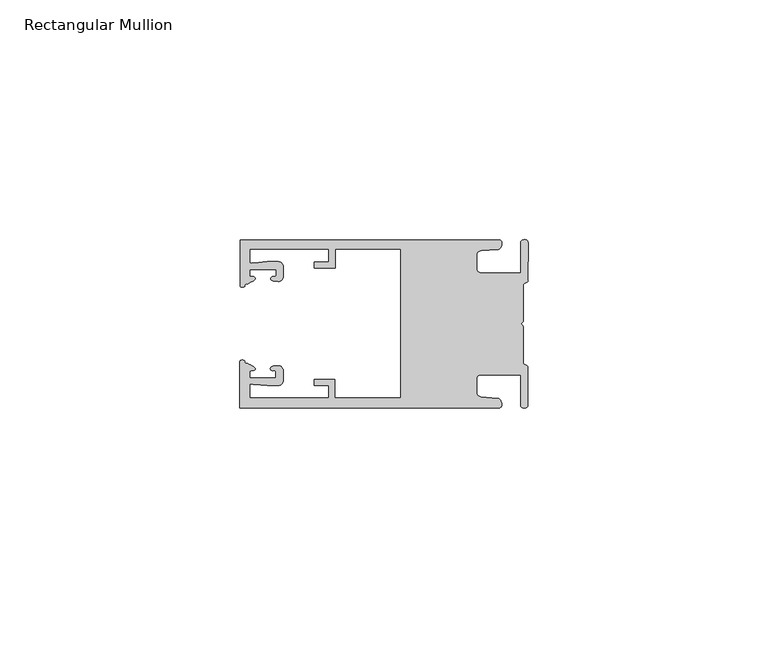
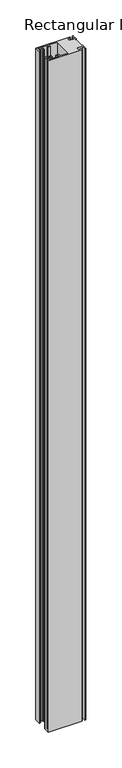
"""IFC4 building model written with IfcOpenShell, lengths in millimetres: member geometry, Rectangular Mullion."""

from ifc_helpers import new_model, si_unit, frame, origin, place, context, project, spatial, circle_curve, source, transform, mapped, element, save
from ifc_brep_helpers import plane_surface, cylinder_surface, extruded_surface, spline_curve, advanced_brep


def rectangular_mullion_de33078d(model_context):
    return source(origin(), model_context, "Body", "AdvancedBrep", [
        advanced_brep(
        [(-60.0749377, 17.5111528, 0.0), (-60.0749377, 8.0140787, 0.0), (-59.3252567, 7.7187455, 0.0), (-58.4967974, 8.36785, 0.0), (-58.0726619, 10.1173923, 0.0), (-58.0713101, 11.3673916, 0.0), (-52.5713133, 11.3614437, 0.0), (-52.5726651, 10.1114444, 0.0), (-53.1427626, 8.8955539, 0.0), (-52.0740172, 8.8609044, 0.0), (-51.0729364, 9.8598224, 0.0), (-51.0706653, 11.9598211, 0.0), (-52.0700692, 12.9609024, 0.0), (-54.3905105, 12.9622843, 0.0), (-57.1599646, 12.7230061, 0.0), (-58.0696339, 12.9173907, 0.0), (-58.066768, 15.5673891, 0.0), (-41.5667584, 15.5673891, 0.0), (-41.5695894, 12.9495468, 0.0), (-44.5695877, 12.9527912, 0.0), (-44.5709936, 11.6527919, 0.0), (-40.2709961, 11.6481417, 0.0), (-40.2667576, 15.5673891, 0.0), (-26.6002952, 15.5673891, 0.0), (-26.6002952, -15.4518424, 0.0), (-40.3003032, -15.4518424, 0.0), (-40.2960856, -11.5518447, 0.0), (-44.5960831, -11.5471945, 0.0), (-44.597489, -12.8471938, 0.0), (-41.5974907, -12.8504381, 0.0), (-41.6003025, -15.4504366, 0.0), (-58.1002928, -15.4325927, 0.0), (-58.097427, -12.7825943, 0.0), (-57.1873395, -12.5901776, 0.0), (-54.4184094, -12.8354453, 0.0), (-52.0979705, -12.8390822, 0.0), (-51.0964037, -11.8401649, 0.0), (-51.0941327, -9.7401662, 0.0), (-52.0930507, -8.7390853, 0.0), (-53.1618685, -8.7714231, 0.0), (-52.5944022, -9.9885439, 0.0), (-52.595754, -11.2385431, 0.0), (-58.0957508, -11.2325952, 0.0), (-58.094399, -9.9825959, 0.0), (-58.5147494, -8.2321403, 0.0), (-59.3418028, -7.5812455, 0.0), (-60.0921208, -7.8749565, 0.0), (-60.0921208, -17.4888267, 0.0), (-6.1024861, -17.4888267, 0.0), (-6.5218639, -15.488372, 0.0), (-9.8784944, -15.2205466, 0.0), (-10.7989567, -14.2226333, 0.0), (-10.7961029, -11.5837474, 0.0), (-9.8734844, -10.5878272, 0.0), (-1.5950266, -10.5934991, 0.0), (-1.601948, -16.9936935, 0.0), (-0.1017194, -16.7830581, 0.0), (-0.0933208, -9.0170082, 0.0), (-1.0923837, -8.1499018, 0.0), (-1.0842165, -0.5977972, 0.0), (-1.0829111, 0.6093089, 0.0), (-1.0747439, 8.1614135, 0.0), (-0.0738079, 9.026357, 0.0), (-0.0654093, 16.7924069, 0.0), (-1.5651789, 17.0062866, 0.0), (-1.5651789, 10.6183257, 0.0), (-9.8505511, 10.6183257, 0.0), (-10.7710133, 11.6162391, 0.0), (-10.7681595, 14.255125, 0.0), (-9.845541, 15.2510452, 0.0), (-6.4883391, 15.5116099, 0.0), (-6.0646356, 17.5111528, 0.0), (-60.0749377, 17.5111528, -1143.0000002), (-6.0646356, 17.5111528, -1143.0000002), (-6.4883391, 15.5116099, -1143.0000002), (-9.845541, 15.2510452, -1143.0000002), (-10.7681595, 14.255125, -1143.0000002), (-10.7710133, 11.6162391, -1143.0000002), (-9.8505511, 10.6183257, -1143.0000002), (-1.5651789, 10.6183257, -1143.0000002), (-1.5651789, 17.0062866, -1143.0000002), (-0.0654093, 16.7924069, -1143.0000002), (-0.0738079, 9.026357, -1143.0000002), (-1.0747439, 8.1614135, -1143.0000002), (-1.0829111, 0.6093089, -1143.0000002), (-1.0842165, -0.5977972, -1143.0000002), (-1.0923837, -8.1499018, -1143.0000002), (-0.0933208, -9.0170082, -1143.0000002), (-0.1017194, -16.7830581, -1143.0000002), (-1.601948, -16.9936935, -1143.0000002), (-1.5950266, -10.5934991, -1143.0000002), (-9.8734844, -10.5878272, -1143.0000002), (-10.7961029, -11.5837474, -1143.0000002), (-10.7989567, -14.2226333, -1143.0000002), (-9.8784944, -15.2205466, -1143.0000002), (-6.5218639, -15.488372, -1143.0000002), (-6.1024861, -17.4888267, -1143.0000002), (-60.0921208, -17.4888267, -1143.0000002), (-60.0921208, -7.8749565, -1143.0000002), (-59.3418028, -7.5812455, -1143.0000002), (-58.5147494, -8.2321403, -1143.0000002), (-58.094399, -9.9825959, -1143.0000002), (-58.0957508, -11.2325952, -1143.0000002), (-52.595754, -11.2385431, -1143.0000002), (-52.5944022, -9.9885439, -1143.0000002), (-53.1618685, -8.7714231, -1143.0000002), (-52.0930507, -8.7390853, -1143.0000002), (-51.0941327, -9.7401662, -1143.0000002), (-51.0964037, -11.8401649, -1143.0000002), (-52.0979705, -12.8390823, -1143.0000002), (-54.4184094, -12.8354453, -1143.0000002), (-57.1873395, -12.5901776, -1143.0000002), (-58.097427, -12.7825943, -1143.0000002), (-58.1002928, -15.4325927, -1143.0000002), (-41.6003025, -15.4504366, -1143.0000002), (-41.5974907, -12.8504381, -1143.0000002), (-44.597489, -12.8471938, -1143.0000002), (-44.5960831, -11.5471945, -1143.0000002), (-40.2960856, -11.5518447, -1143.0000002), (-40.3003032, -15.4518424, -1143.0000002), (-26.6002952, -15.4518424, -1143.0000002), (-26.6002952, 15.5673891, -1143.0000002), (-40.2667576, 15.5673891, -1143.0000002), (-40.2709961, 11.6481417, -1143.0000002), (-44.5709936, 11.6527919, -1143.0000002), (-44.5695877, 12.9527912, -1143.0000002), (-41.5695894, 12.9495468, -1143.0000002), (-41.5667584, 15.5673891, -1143.0000002), (-58.066768, 15.5673891, -1143.0000002), (-58.0696339, 12.9173907, -1143.0000002), (-57.1599646, 12.7230061, -1143.0000002), (-54.3905105, 12.9622843, -1143.0000002), (-52.0700692, 12.9609023, -1143.0000002), (-51.0706653, 11.9598211, -1143.0000002), (-51.0729364, 9.8598224, -1143.0000002), (-52.0740172, 8.8609044, -1143.0000002), (-53.1427626, 8.8955539, -1143.0000002), (-52.5726651, 10.1114444, -1143.0000002), (-52.5713133, 11.3614437, -1143.0000002), (-58.0713101, 11.3673916, -1143.0000002), (-58.0726619, 10.1173923, -1143.0000002), (-58.4967974, 8.36785, -1143.0000002), (-59.3252567, 7.7187455, -1143.0000002), (-60.0749377, 8.0140787, -1143.0000002)],
        [
            (0, 1),
            (1, 2, spline_curve(3, [(-60.0749377, 8.0140787, 0.0), (-60.075233123, 7.740904774, 0.0), (-59.825339491, 7.642460332, 0.0), (-59.3252567, 7.7187455, 0.0)], [4, 4], [0.0, 0.0019169337574178654])),
            (2, 3, spline_curve(3, [(-59.3252567, 7.7187455, 0.0), (-59.094460914, 7.75918372, 0.0), (-59.054835463, 7.902257199, 0.0), (-59.05559987, 8.233305614, 0.0), (-59.138729113, 8.4134359, 0.0), (-58.4967974, 8.36785, 0.0)], [4, 2, 4], [0.0, 0.0010199524164107188, 0.0024874514725970356])),
            (3, 4, spline_curve(3, [(-58.4967974, 8.36785, 0.0), (-57.022393378, 9.053435667, 0.0), (-56.827266887, 9.364828726, 0.0), (-56.982213078, 9.742623404, 0.0), (-57.177375211, 9.855581791, 0.0), (-57.697928101, 9.887955071, 0.0), (-57.997449153, 9.835475348, 0.0), (-58.0726619, 10.1173923, 0.0)], [4, 2, 2, 4], [0.0, 0.003269869179570428, 0.005490050486237203, 0.0073545767114364426])),
            (4, 5),
            (5, 6),
            (6, 7),
            (7, 8, spline_curve(3, [(-52.5726651, 10.1114444, 0.0), (-52.667195519, 9.760172042, 0.0), (-52.937094388, 9.861877724, 0.0), (-53.356237032, 9.895631753, 0.0), (-53.491940439, 9.811038713, 0.0), (-53.761900775, 9.511438033, 0.0), (-53.892893546, 9.278787104, 0.0), (-53.1427626, 8.8955539, 0.0)], [4, 2, 2, 4], [0.0, 0.001593963049934732, 0.0033360256320283306, 0.005339140673503943])),
            (8, 9),
            (9, 10, circle_curve(frame((-52.0729358, 9.8609038, 0.0), z_axis=(0.0, 0.0, 1.0), x_axis=(-0.0010814451158600304, -0.9999994152380598, 0.0)), 1.0)),
            (10, 11),
            (11, 12, circle_curve(frame((-52.0706647, 11.9609026, 0.0), z_axis=(0.0, 0.0, 1.0), x_axis=(-0.0010814451158600304, -0.9999994152380598, 0.0)), 1.0)),
            (12, 13),
            (13, 14),
            (14, 15, spline_curve(3, [(-57.1599646, 12.7230061, 0.0), (-57.631533854, 12.682262968, 0.0), (-58.018602985, 12.477800124, 0.0), (-58.0696339, 12.9173907, 0.0)], [4, 4], [0.0, 0.0014803385355886016])),
            (15, 16),
            (16, 17),
            (17, 18),
            (18, 19),
            (19, 20),
            (20, 21),
            (21, 22),
            (22, 23),
            (23, 24),
            (24, 25),
            (25, 26),
            (26, 27),
            (27, 28),
            (28, 29),
            (29, 30),
            (30, 31),
            (31, 32),
            (32, 33, spline_curve(3, [(-58.097427, -12.7825943, 0.0), (-58.045445419, -12.343115126, 0.0), (-57.658819528, -12.548414611, 0.0), (-57.1873395, -12.5901776, 0.0)], [4, 4], [0.0, 0.0014803385355886016])),
            (33, 34),
            (34, 35),
            (35, 36, circle_curve(frame((-52.0964031, -11.8390835, 0.0), z_axis=(0.0, 0.0, 1.0), x_axis=(0.0010814451158600304, 0.9999994152380598, 0.0)), 1.0)),
            (36, 37),
            (37, 38, circle_curve(frame((-52.0941321, -9.7390847, 0.0), z_axis=(0.0, 0.0, 1.0), x_axis=(0.0010814451158600304, 0.9999994152380598, 0.0)), 1.0)),
            (38, 39),
            (39, 40, spline_curve(3, [(-53.1618685, -8.7714231, 0.0), (-53.912826582, -9.153032958, 0.0), (-53.782337352, -9.385966711, 0.0), (-53.51302565, -9.686150585, 0.0), (-53.377505444, -9.771037009, 0.0), (-52.958290774, -9.738189618, 0.0), (-52.688172635, -9.637067904, 0.0), (-52.5944022, -9.9885439, 0.0)], [4, 2, 2, 4], [0.0, 0.002003115041475612, 0.0037451776235692107, 0.005339140673503943])),
            (40, 41),
            (41, 42),
            (42, 43),
            (43, 44, spline_curve(3, [(-58.094399, -9.9825959, 0.0), (-58.018576674, -9.700842284, 0.0), (-57.719169706, -9.753969703, 0.0), (-57.198548014, -9.722722397, 0.0), (-57.003142178, -9.61018632, 0.0), (-56.847379222, -9.232727657, 0.0), (-57.041831673, -8.920913336, 0.0), (-58.5147494, -8.2321403, 0.0)], [4, 2, 2, 4], [0.0, 0.0018645262251992395, 0.004084707531866015, 0.0073545767114364426])),
            (44, 45, spline_curve(3, [(-58.5147494, -8.2321403, 0.0), (-59.156778208, -8.276337666, 0.0), (-59.073259494, -8.096387681, 0.0), (-59.071779067, -7.765341694, 0.0), (-59.111095017, -7.622182811, 0.0), (-59.3418028, -7.5812455, 0.0)], [4, 2, 4], [0.0, 0.0014674990561863168, 0.0024874514725970356])),
            (45, 46, spline_curve(3, [(-59.3418028, -7.5812455, 0.0), (-59.841719425, -7.503878887, 0.0), (-60.091825377, -7.601782574, 0.0), (-60.0921208, -7.8749565, 0.0)], [4, 4], [0.0, 0.0019169337574178654])),
            (46, 47),
            (47, 48),
            (48, 49, spline_curve(3, [(-6.1024861, -17.4888267, 0.0), (-5.074532184, -17.418062188, 0.0), (-5.631140689, -15.411414367, 0.0), (-6.5218639, -15.488372, 0.0)], [4, 4], [0.0, 0.0043819361547461745])),
            (49, 50),
            (50, 51, spline_curve(3, [(-9.8784944, -15.2205466, 0.0), (-10.440691543, -15.150698463, 0.0), (-10.74751234, -14.818060727, 0.0), (-10.7989567, -14.2226333, 0.0)], [4, 4], [0.0, 0.0028645797420738927])),
            (51, 52),
            (52, 53, spline_curve(3, [(-10.7961029, -11.5837474, 0.0), (-10.743370817, -10.988432634, 0.0), (-10.435831301, -10.656459204, 0.0), (-9.8734844, -10.5878272, 0.0)], [4, 4], [0.0, 0.0028645797420738927])),
            (53, 54),
            (54, 55),
            (55, 56, spline_curve(3, [(-1.601948, -16.9936935, 0.0), (-1.655676874, -17.600261454, 0.0), (-0.043737403, -17.912795581, 0.0), (-0.1017194, -16.7830581, 0.0)], [4, 4], [0.0, 0.0036987374396357936])),
            (56, 57),
            (57, 58, spline_curve(3, [(-0.0933208, -9.0170082, 0.0), (-0.018818183, -8.695886697, 0.0), (-1.193434327, -8.459763043, 0.0), (-1.0923837, -8.1499018, 0.0)], [4, 4], [0.0, 0.002027216749630121])),
            (58, 59),
            (59, 60, spline_curve(3, [(-1.0842165, -0.5977972, 0.0), (-1.013223198, -0.445980437, 0.0), (-1.487945123, -0.206736825, 0.0), (-1.487409651, 0.231097965, 0.0), (-0.999110985, 0.429090391, 0.0), (-1.0829111, 0.6093089, 0.0)], [4, 2, 4], [0.0, 0.00249866671847065, 0.005031402919736269])),
            (60, 61),
            (61, 62, spline_curve(3, [(-1.0747439, 8.1614135, 0.0), (-1.175124095, 8.47149258, 0.0), (-7e-09, 8.705075107, 0.0), (-0.0738079, 9.026357, 0.0)], [4, 4], [0.0, 0.002027216749630121])),
            (62, 63),
            (63, 64, spline_curve(3, [(-0.0654093, 16.7924069, 0.0), (-0.004983942, 17.92201633, 0.0), (-1.617595709, 17.612969344, 0.0), (-1.5651789, 17.0062866, 0.0)], [4, 4], [0.0, 0.0036987374396357936])),
            (64, 65),
            (65, 66),
            (66, 67, spline_curve(3, [(-9.8505511, 10.6183257, 0.0), (-10.412748243, 10.688173837, 0.0), (-10.71956894, 11.020811673, 0.0), (-10.7710133, 11.6162391, 0.0)], [4, 4], [0.0, 0.0028645797420738927])),
            (67, 68),
            (68, 69, spline_curve(3, [(-10.7681595, 14.255125, 0.0), (-10.715427417, 14.850439766, 0.0), (-10.407887901, 15.182413196, 0.0), (-9.845541, 15.2510452, 0.0)], [4, 4], [0.0, 0.0028645797420738927])),
            (69, 70),
            (70, 71, spline_curve(3, [(-6.4883391, 15.5116099, 0.0), (-5.597784423, 15.432725911, 0.0), (-5.036837144, 17.438165103, 0.0), (-6.0646356, 17.5111528, 0.0)], [4, 4], [0.0, 0.0043819361547461745])),
            (71, 0),
            (72, 73),
            (73, 74, spline_curve(3, [(-6.0646356, 17.5111528, -1143.0000002), (-5.036837144, 17.438165103, -1143.0000002), (-5.597784423, 15.432725911, -1143.0000002), (-6.4883391, 15.5116099, -1143.0000002)], [4, 4], [0.0, 0.0043819361547461745])),
            (74, 75),
            (75, 76, spline_curve(3, [(-9.845541, 15.2510452, -1143.0000002), (-10.407887901, 15.182413196, -1143.0000002), (-10.715427417, 14.850439766, -1143.0000002), (-10.7681595, 14.255125, -1143.0000002)], [4, 4], [0.0, 0.0028645797420738927])),
            (76, 77),
            (77, 78, spline_curve(3, [(-10.7710133, 11.6162391, -1143.0000002), (-10.71956894, 11.020811673, -1143.0000002), (-10.412748243, 10.688173837, -1143.0000002), (-9.8505511, 10.6183257, -1143.0000002)], [4, 4], [0.0, 0.0028645797420738927])),
            (78, 79),
            (79, 80),
            (80, 81, spline_curve(3, [(-1.5651789, 17.0062866, -1143.0000002), (-1.617595709, 17.612969344, -1143.0000002), (-0.004983942, 17.92201633, -1143.0000002), (-0.0654093, 16.7924069, -1143.0000002)], [4, 4], [0.0, 0.0036987374396357936])),
            (81, 82),
            (82, 83, spline_curve(3, [(-0.0738079, 9.026357, -1143.0000002), (-7e-09, 8.705075107, -1143.0000002), (-1.175124095, 8.47149258, -1143.0000002), (-1.0747439, 8.1614135, -1143.0000002)], [4, 4], [0.0, 0.002027216749630121])),
            (83, 84),
            (84, 85, spline_curve(3, [(-1.0829111, 0.6093089, -1143.0000002), (-0.999110985, 0.429090391, -1143.0000002), (-1.487409651, 0.231097965, -1143.0000002), (-1.487945123, -0.206736825, -1143.0000002), (-1.013223198, -0.445980437, -1143.0000002), (-1.0842165, -0.5977972, -1143.0000002)], [4, 2, 4], [0.0, 0.002532736201265619, 0.005031402919736269])),
            (85, 86),
            (86, 87, spline_curve(3, [(-1.0923837, -8.1499018, -1143.0000002), (-1.193434327, -8.459763043, -1143.0000002), (-0.018818183, -8.695886697, -1143.0000002), (-0.0933208, -9.0170082, -1143.0000002)], [4, 4], [0.0, 0.002027216749630121])),
            (87, 88),
            (88, 89, spline_curve(3, [(-0.1017194, -16.7830581, -1143.0000002), (-0.043737403, -17.912795581, -1143.0000002), (-1.655676874, -17.600261454, -1143.0000002), (-1.601948, -16.9936935, -1143.0000002)], [4, 4], [0.0, 0.0036987374396357936])),
            (89, 90),
            (90, 91),
            (91, 92, spline_curve(3, [(-9.8734844, -10.5878272, -1143.0000002), (-10.435831301, -10.656459204, -1143.0000002), (-10.743370817, -10.988432634, -1143.0000002), (-10.7961029, -11.5837474, -1143.0000002)], [4, 4], [0.0, 0.0028645797420738927])),
            (92, 93),
            (93, 94, spline_curve(3, [(-10.7989567, -14.2226333, -1143.0000002), (-10.74751234, -14.818060727, -1143.0000002), (-10.440691543, -15.150698463, -1143.0000002), (-9.8784944, -15.2205466, -1143.0000002)], [4, 4], [0.0, 0.0028645797420738927])),
            (94, 95),
            (95, 96, spline_curve(3, [(-6.5218639, -15.488372, -1143.0000002), (-5.631140689, -15.411414367, -1143.0000002), (-5.074532184, -17.418062188, -1143.0000002), (-6.1024861, -17.4888267, -1143.0000002)], [4, 4], [0.0, 0.0043819361547461745])),
            (96, 97),
            (97, 98),
            (98, 99, spline_curve(3, [(-60.0921208, -7.8749565, -1143.0000002), (-60.091825377, -7.601782574, -1143.0000002), (-59.841719425, -7.503878887, -1143.0000002), (-59.3418028, -7.5812455, -1143.0000002)], [4, 4], [0.0, 0.0019169337574178654])),
            (99, 100, spline_curve(3, [(-59.3418028, -7.5812455, -1143.0000002), (-59.111095017, -7.622182811, -1143.0000002), (-59.071779067, -7.765341694, -1143.0000002), (-59.073259494, -8.096387681, -1143.0000002), (-59.156778208, -8.276337666, -1143.0000002), (-58.5147494, -8.2321403, -1143.0000002)], [4, 2, 4], [0.0, 0.0010199524164107188, 0.0024874514725970356])),
            (100, 101, spline_curve(3, [(-58.5147494, -8.2321403, -1143.0000002), (-57.041831673, -8.920913336, -1143.0000002), (-56.847379222, -9.232727657, -1143.0000002), (-57.003142178, -9.61018632, -1143.0000002), (-57.198548014, -9.722722397, -1143.0000002), (-57.719169706, -9.753969703, -1143.0000002), (-58.018576674, -9.700842284, -1143.0000002), (-58.094399, -9.9825959, -1143.0000002)], [4, 2, 2, 4], [0.0, 0.003269869179570428, 0.005490050486237203, 0.0073545767114364426])),
            (101, 102),
            (102, 103),
            (103, 104),
            (104, 105, spline_curve(3, [(-52.5944022, -9.9885439, -1143.0000002), (-52.688172635, -9.637067904, -1143.0000002), (-52.958290774, -9.738189618, -1143.0000002), (-53.377505444, -9.771037009, -1143.0000002), (-53.51302565, -9.686150585, -1143.0000002), (-53.782337352, -9.385966711, -1143.0000002), (-53.912826582, -9.153032958, -1143.0000002), (-53.1618685, -8.7714231, -1143.0000002)], [4, 2, 2, 4], [0.0, 0.001593963049934732, 0.0033360256320283306, 0.005339140673503943])),
            (105, 106),
            (106, 107, circle_curve(frame((-52.0941321, -9.7390847, -1143.0000002), z_axis=(0.0, 0.0, -1.0), x_axis=(0.0010814451158600304, 0.9999994152380598, 0.0)), 1.0)),
            (107, 108),
            (108, 109, circle_curve(frame((-52.0964031, -11.8390835, -1143.0000002), z_axis=(0.0, 0.0, -1.0), x_axis=(0.0010814451158600304, 0.9999994152380598, 0.0)), 1.0)),
            (109, 110),
            (110, 111),
            (111, 112, spline_curve(3, [(-57.1873395, -12.5901776, -1143.0000002), (-57.658819528, -12.548414611, -1143.0000002), (-58.045445419, -12.343115126, -1143.0000002), (-58.097427, -12.7825943, -1143.0000002)], [4, 4], [0.0, 0.0014803385355886016])),
            (112, 113),
            (113, 114),
            (114, 115),
            (115, 116),
            (116, 117),
            (117, 118),
            (118, 119),
            (119, 120),
            (120, 121),
            (121, 122),
            (122, 123),
            (123, 124),
            (124, 125),
            (125, 126),
            (126, 127),
            (127, 128),
            (128, 129),
            (129, 130, spline_curve(3, [(-58.0696339, 12.9173907, -1143.0000002), (-58.018602985, 12.477800124, -1143.0000002), (-57.631533854, 12.682262968, -1143.0000002), (-57.1599646, 12.7230061, -1143.0000002)], [4, 4], [0.0, 0.0014803385355886016])),
            (130, 131),
            (131, 132),
            (132, 133, circle_curve(frame((-52.0706647, 11.9609026, -1143.0000002), z_axis=(0.0, 0.0, -1.0), x_axis=(-0.0010814451158600304, -0.9999994152380598, 0.0)), 1.0)),
            (133, 134),
            (134, 135, circle_curve(frame((-52.0729358, 9.8609038, -1143.0000002), z_axis=(0.0, 0.0, -1.0), x_axis=(-0.0010814451158600304, -0.9999994152380598, 0.0)), 1.0)),
            (135, 136),
            (136, 137, spline_curve(3, [(-53.1427626, 8.8955539, -1143.0000002), (-53.892893546, 9.278787104, -1143.0000002), (-53.761900775, 9.511438033, -1143.0000002), (-53.491940439, 9.811038713, -1143.0000002), (-53.356237032, 9.895631753, -1143.0000002), (-52.937094388, 9.861877724, -1143.0000002), (-52.667195519, 9.760172042, -1143.0000002), (-52.5726651, 10.1114444, -1143.0000002)], [4, 2, 2, 4], [0.0, 0.002003115041475612, 0.0037451776235692107, 0.005339140673503943])),
            (137, 138),
            (138, 139),
            (139, 140),
            (140, 141, spline_curve(3, [(-58.0726619, 10.1173923, -1143.0000002), (-57.997449153, 9.835475348, -1143.0000002), (-57.697928101, 9.887955071, -1143.0000002), (-57.177375211, 9.855581791, -1143.0000002), (-56.982213078, 9.742623404, -1143.0000002), (-56.827266887, 9.364828726, -1143.0000002), (-57.022393378, 9.053435667, -1143.0000002), (-58.4967974, 8.36785, -1143.0000002)], [4, 2, 2, 4], [0.0, 0.0018645262251992395, 0.004084707531866015, 0.0073545767114364426])),
            (141, 142, spline_curve(3, [(-58.4967974, 8.36785, -1143.0000002), (-59.138729113, 8.4134359, -1143.0000002), (-59.05559987, 8.233305614, -1143.0000002), (-59.054835463, 7.902257199, -1143.0000002), (-59.094460914, 7.75918372, -1143.0000002), (-59.3252567, 7.7187455, -1143.0000002)], [4, 2, 4], [0.0, 0.0014674990561863168, 0.0024874514725970356])),
            (142, 143, spline_curve(3, [(-59.3252567, 7.7187455, -1143.0000002), (-59.825339491, 7.642460332, -1143.0000002), (-60.075233123, 7.740904774, -1143.0000002), (-60.0749377, 8.0140787, -1143.0000002)], [4, 4], [0.0, 0.0019169337574178654])),
            (143, 72),
            (0, 72),
            (143, 1),
            (142, 2),
            (141, 3),
            (140, 4),
            (139, 5),
            (138, 6),
            (137, 7),
            (136, 8),
            (135, 9),
            (134, 10),
            (133, 11),
            (132, 12),
            (131, 13),
            (130, 14),
            (129, 15),
            (128, 16),
            (127, 17),
            (126, 18),
            (125, 19),
            (124, 20),
            (123, 21),
            (122, 22),
            (121, 23),
            (120, 24),
            (119, 25),
            (118, 26),
            (117, 27),
            (116, 28),
            (115, 29),
            (114, 30),
            (113, 31),
            (112, 32),
            (111, 33),
            (110, 34),
            (109, 35),
            (108, 36),
            (107, 37),
            (106, 38),
            (105, 39),
            (104, 40),
            (103, 41),
            (102, 42),
            (101, 43),
            (100, 44),
            (99, 45),
            (98, 46),
            (97, 47),
            (96, 48),
            (95, 49),
            (94, 50),
            (93, 51),
            (92, 52),
            (91, 53),
            (90, 54),
            (89, 55),
            (88, 56),
            (87, 57),
            (86, 58),
            (85, 59),
            (84, 60),
            (83, 61),
            (82, 62),
            (81, 63),
            (80, 64),
            (79, 65),
            (78, 66),
            (77, 67),
            (76, 68),
            (75, 69),
            (74, 70),
            (73, 71),
        ],
        [
            plane_surface(frame((0.0, -62.5853181, 0.0), z_axis=(0.0, 0.0, 1.0), x_axis=(-1.0, 0.0, 0.0))),
            plane_surface(frame((0.0, -62.5853181, -1143.0000002), z_axis=(0.0, 0.0, -1.0), x_axis=(-1.0, 0.0, 0.0))),
            plane_surface(frame((-60.0749377, 17.5111528, 0.0), z_axis=(-1.0, 0.0, 0.0), x_axis=(0.0, 0.0, -1.0))),
            extruded_surface(spline_curve(3, [(-60.0749377, 8.0140787, -1143.0000002), (-60.075233123, 7.740904774, -1143.0000002), (-59.825339491, 7.642460332, -1143.0000002), (-59.3252567, 7.7187455, -1143.0000002)], [4, 4], [0.0, 0.0019169337574178654]), (0.0, 0.0, 1143.0000002), 1143.0000002),
            extruded_surface(spline_curve(3, [(-59.3252567, 7.7187455, -1143.0000002), (-59.094460914, 7.75918372, -1143.0000002), (-59.054835463, 7.902257199, -1143.0000002), (-59.05559987, 8.233305614, -1143.0000002), (-59.138729113, 8.4134359, -1143.0000002), (-58.4967974, 8.36785, -1143.0000002)], [4, 2, 4], [0.0, 0.0010199524164107188, 0.0024874514725970356]), (0.0, 0.0, 1143.0000002), 1143.0000002),
            extruded_surface(spline_curve(3, [(-58.4967974, 8.36785, -1143.0000002), (-57.022393378, 9.053435667, -1143.0000002), (-56.827266887, 9.364828726, -1143.0000002), (-56.982213078, 9.742623404, -1143.0000002), (-57.177375211, 9.855581791, -1143.0000002), (-57.697928101, 9.887955071, -1143.0000002), (-57.997449153, 9.835475348, -1143.0000002), (-58.0726619, 10.1173923, -1143.0000002)], [4, 2, 2, 4], [0.0, 0.003269869179570428, 0.005490050486237203, 0.0073545767114364426]), (0.0, 0.0, 1143.0000002), 1143.0000002),
            plane_surface(frame((-58.0726619, 10.1173923, 0.0), z_axis=(0.9999994152380598, -0.0010814451158634145, 0.0), x_axis=(0.0, 0.0, -1.0))),
            plane_surface(frame((-58.0713101, 11.3673916, 0.0), z_axis=(-0.0010814451158616418, -0.9999994152380598, 0.0), x_axis=(0.0, 0.0, -1.0))),
            plane_surface(frame((-52.5713133, 11.3614437, 0.0), z_axis=(-0.9999994152380598, 0.0010814451158643293, 0.0), x_axis=(0.0, 0.0, -1.0))),
            extruded_surface(spline_curve(3, [(-52.5726651, 10.1114444, -1143.0000002), (-52.667195519, 9.760172042, -1143.0000002), (-52.937094388, 9.861877724, -1143.0000002), (-53.356237032, 9.895631753, -1143.0000002), (-53.491940439, 9.811038713, -1143.0000002), (-53.761900775, 9.511438033, -1143.0000002), (-53.892893546, 9.278787104, -1143.0000002), (-53.1427626, 8.8955539, -1143.0000002)], [4, 2, 2, 4], [0.0, 0.001593963049934732, 0.0033360256320283306, 0.005339140673503943]), (0.0, 0.0, 1143.0000002), 1143.0000002),
            plane_surface(frame((-53.1427626, 8.8955539, 0.0), z_axis=(-0.032403661401520414, -0.9994748634797054, 0.0), x_axis=(0.0, 0.0, -1.0))),
            cylinder_surface(frame((-52.0729358, 9.8609038, 0.0), z_axis=(0.0, 0.0, 1.0000000000000002), x_axis=(-0.0010814451158600304, -0.9999994152380598, 0.0)), 1.0),
            plane_surface(frame((-51.0729364, 9.8598224, 0.0), z_axis=(0.9999994152380598, -0.001081445115864059, 0.0), x_axis=(0.0, 0.0, -1.0))),
            cylinder_surface(frame((-52.0706647, 11.9609026, 0.0), z_axis=(0.0, 0.0, 1.0000000000000002), x_axis=(-0.0010814451158600304, -0.9999994152380598, 0.0)), 1.0),
            plane_surface(frame((-52.0700692, 12.9609023, 0.0), z_axis=(0.0005955716436318007, 0.999999822647193, 0.0), x_axis=(0.0, 0.0, -1.0))),
            plane_surface(frame((-54.3905105, 12.9622843, 0.0), z_axis=(-0.08607836189159865, 0.9962883697073147, 0.0), x_axis=(0.0, 0.0, -1.0))),
            extruded_surface(spline_curve(3, [(-57.1599646, 12.7230061, -1143.0000002), (-57.631533854, 12.682262968, -1143.0000002), (-58.018602985, 12.477800124, -1143.0000002), (-58.0696339, 12.9173907, -1143.0000002)], [4, 4], [0.0, 0.0014803385355886016]), (0.0, 0.0, 1143.0000002), 1143.0000002),
            plane_surface(frame((-58.0696339, 12.9173907, 0.0), z_axis=(0.9999994152380598, -0.0010814451158629996, 0.0), x_axis=(0.0, 0.0, -1.0))),
            plane_surface(frame((-58.066768, 15.5673891, 0.0), z_axis=(0.0, -1.0, 0.0), x_axis=(0.0, 0.0, -1.0))),
            plane_surface(frame((-41.5667584, 15.5673891, 0.0), z_axis=(-0.9999994152380598, 0.0010814451158636304, 0.0), x_axis=(0.0, 0.0, -1.0))),
            plane_surface(frame((-41.5695894, 12.9495468, 0.0), z_axis=(0.0010814451158615687, 0.9999994152380598, 0.0), x_axis=(0.0, 0.0, -1.0))),
            plane_surface(frame((-44.5695877, 12.9527912, 0.0), z_axis=(-0.9999994152380598, 0.0010814451158626742, 0.0), x_axis=(0.0, 0.0, -1.0))),
            plane_surface(frame((-44.5709936, 11.6527919, 0.0), z_axis=(-0.001081445115861604, -0.9999994152380598, 0.0), x_axis=(0.0, 0.0, -1.0))),
            plane_surface(frame((-40.2709961, 11.6481417, 0.0), z_axis=(0.9999994152380598, -0.001081445115863507, 0.0), x_axis=(0.0, 0.0, -1.0))),
            plane_surface(frame((-40.2667576, 15.5673891, 0.0), z_axis=(0.0, -1.0, 0.0), x_axis=(0.0, 0.0, -1.0))),
            plane_surface(frame((-26.6002952, 15.5673891, 0.0), z_axis=(-1.0, 0.0, 0.0), x_axis=(0.0, 0.0, -1.0))),
            plane_surface(frame((-26.6002952, -15.4518424, 0.0), z_axis=(0.0, 1.0, 0.0), x_axis=(0.0, 0.0, -1.0))),
            plane_surface(frame((-40.3003032, -15.4518424, 0.0), z_axis=(0.9999994152380598, -0.0010814451158565538, 0.0), x_axis=(0.0, 0.0, -1.0))),
            plane_surface(frame((-40.2960856, -11.5518447, 0.0), z_axis=(0.0010814451158584568, 0.9999994152380598, 0.0), x_axis=(0.0, 0.0, -1.0))),
            plane_surface(frame((-44.5960831, -11.5471945, 0.0), z_axis=(-0.9999994152380598, 0.0010814451158573867, 0.0), x_axis=(0.0, 0.0, -1.0))),
            plane_surface(frame((-44.597489, -12.8471938, 0.0), z_axis=(-0.0010814451158584922, -0.9999994152380598, 0.0), x_axis=(0.0, 0.0, -1.0))),
            plane_surface(frame((-41.5974907, -12.8504381, 0.0), z_axis=(-0.9999994152380598, 0.0010814451158564305, 0.0), x_axis=(0.0, 0.0, -1.0))),
            plane_surface(frame((-41.6003025, -15.4504366, 0.0), z_axis=(0.0010814451158583872, 0.9999994152380598, 0.0), x_axis=(0.0, 0.0, -1.0))),
            plane_surface(frame((-58.1002928, -15.4325927, 0.0), z_axis=(0.9999994152380598, -0.0010814451158570612, 0.0), x_axis=(0.0, 0.0, -1.0))),
            extruded_surface(spline_curve(3, [(-58.097427, -12.7825943, -1143.0000002), (-58.045445419, -12.343115126, -1143.0000002), (-57.658819528, -12.548414611, -1143.0000002), (-57.1873395, -12.5901776, -1143.0000002)], [4, 4], [0.0, 0.0014803385355886016]), (0.0, 0.0, 1143.0000002), 1143.0000002),
            plane_surface(frame((-57.1873395, -12.5901776, 0.0), z_axis=(-0.0882330216729926, -0.9960998614026876, 0.0), x_axis=(0.0, 0.0, -1.0))),
            plane_surface(frame((-54.4184094, -12.8354453, 0.0), z_axis=(-0.0015673183327880543, -0.9999987717558677, 0.0), x_axis=(0.0, 0.0, -1.0))),
            cylinder_surface(frame((-52.0964031, -11.8390835, 0.0), z_axis=(0.0, 0.0, 1.0000000000000002), x_axis=(0.0010814451158600304, 0.9999994152380598, 0.0)), 1.0),
            plane_surface(frame((-51.0964037, -11.8401649, 0.0), z_axis=(0.9999994152380598, -0.001081445115856002, 0.0), x_axis=(0.0, 0.0, -1.0))),
            cylinder_surface(frame((-52.0941321, -9.7390847, 0.0), z_axis=(0.0, 0.0, 1.0000000000000002), x_axis=(0.0010814451158600304, 0.9999994152380598, 0.0)), 1.0),
            plane_surface(frame((-52.0930507, -8.7390853, 0.0), z_axis=(-0.030241832452872642, 0.9995426111826812, 0.0), x_axis=(0.0, 0.0, -1.0))),
            extruded_surface(spline_curve(3, [(-53.1618685, -8.7714231, -1143.0000002), (-53.912826582, -9.153032958, -1143.0000002), (-53.782337352, -9.385966711, -1143.0000002), (-53.51302565, -9.686150585, -1143.0000002), (-53.377505444, -9.771037009, -1143.0000002), (-52.958290774, -9.738189618, -1143.0000002), (-52.688172635, -9.637067904, -1143.0000002), (-52.5944022, -9.9885439, -1143.0000002)], [4, 2, 2, 4], [0.0, 0.002003115041475612, 0.0037451776235692107, 0.005339140673503943]), (0.0, 0.0, 1143.0000002), 1143.0000002),
            plane_surface(frame((-52.5944022, -9.9885439, 0.0), z_axis=(-0.9999994152380598, 0.0010814451158557316, 0.0), x_axis=(0.0, 0.0, -1.0))),
            plane_surface(frame((-52.595754, -11.2385431, 0.0), z_axis=(0.001081445115858419, 0.9999994152380598, 0.0), x_axis=(0.0, 0.0, -1.0))),
            plane_surface(frame((-58.0957508, -11.2325952, 0.0), z_axis=(0.9999994152380598, -0.0010814451158566464, 0.0), x_axis=(0.0, 0.0, -1.0))),
            extruded_surface(spline_curve(3, [(-58.094399, -9.9825959, -1143.0000002), (-58.018576674, -9.700842284, -1143.0000002), (-57.719169706, -9.753969703, -1143.0000002), (-57.198548014, -9.722722397, -1143.0000002), (-57.003142178, -9.61018632, -1143.0000002), (-56.847379222, -9.232727657, -1143.0000002), (-57.041831673, -8.920913336, -1143.0000002), (-58.5147494, -8.2321403, -1143.0000002)], [4, 2, 2, 4], [0.0, 0.0018645262251992395, 0.004084707531866015, 0.0073545767114364426]), (0.0, 0.0, 1143.0000002), 1143.0000002),
            extruded_surface(spline_curve(3, [(-58.5147494, -8.2321403, -1143.0000002), (-59.156778208, -8.276337666, -1143.0000002), (-59.073259494, -8.096387681, -1143.0000002), (-59.071779067, -7.765341694, -1143.0000002), (-59.111095017, -7.622182811, -1143.0000002), (-59.3418028, -7.5812455, -1143.0000002)], [4, 2, 4], [0.0, 0.0014674990561863168, 0.0024874514725970356]), (0.0, 0.0, 1143.0000002), 1143.0000002),
            extruded_surface(spline_curve(3, [(-59.3418028, -7.5812455, -1143.0000002), (-59.841719425, -7.503878887, -1143.0000002), (-60.091825377, -7.601782574, -1143.0000002), (-60.0921208, -7.8749565, -1143.0000002)], [4, 4], [0.0, 0.0019169337574178654]), (0.0, 0.0, 1143.0000002), 1143.0000002),
            plane_surface(frame((-60.0921208, -7.8749565, 0.0), z_axis=(-1.0, 0.0, 0.0), x_axis=(0.0, 0.0, -1.0))),
            plane_surface(frame((-60.0921208, -17.4888267, 0.0), z_axis=(0.0, -1.0, 0.0), x_axis=(0.0, 0.0, -1.0))),
            extruded_surface(spline_curve(3, [(-6.1024861, -17.4888267, -1143.0000002), (-5.074532184, -17.418062188, -1143.0000002), (-5.631140689, -15.411414367, -1143.0000002), (-6.5218639, -15.488372, -1143.0000002)], [4, 4], [0.0, 0.0043819361547461745]), (0.0, 0.0, 1143.0000002), 1143.0000002),
            plane_surface(frame((-6.5218639, -15.488372, 0.0), z_axis=(0.07953716124904908, 0.9968319015663789, 0.0), x_axis=(0.0, 0.0, -1.0))),
            extruded_surface(spline_curve(3, [(-9.8784944, -15.2205466, -1143.0000002), (-10.440691543, -15.150698463, -1143.0000002), (-10.74751234, -14.818060727, -1143.0000002), (-10.7989567, -14.2226333, -1143.0000002)], [4, 4], [0.0, 0.0028645797420738927]), (0.0, 0.0, 1143.0000002), 1143.0000002),
            plane_surface(frame((-10.7989567, -14.2226333, 0.0), z_axis=(0.9999994152380598, -0.0010814451158568247, 0.0), x_axis=(0.0, 0.0, -1.0))),
            extruded_surface(spline_curve(3, [(-10.7961029, -11.5837474, -1143.0000002), (-10.743370817, -10.988432634, -1143.0000002), (-10.435831301, -10.656459204, -1143.0000002), (-9.8734844, -10.5878272, -1143.0000002)], [4, 4], [0.0, 0.0028645797420738927]), (0.0, 0.0, 1143.0000002), 1143.0000002),
            plane_surface(frame((-9.8734844, -10.5878272, 0.0), z_axis=(-0.0006851371995361226, -0.9999997652934814, 0.0), x_axis=(0.0, 0.0, -1.0))),
            plane_surface(frame((-1.5950266, -10.5934991, 0.0), z_axis=(-0.9999994152380598, 0.0010814451158568644, 0.0), x_axis=(0.0, 0.0, -1.0))),
            extruded_surface(spline_curve(3, [(-1.601948, -16.9936935, -1143.0000002), (-1.655676874, -17.600261454, -1143.0000002), (-0.043737403, -17.912795581, -1143.0000002), (-0.1017194, -16.7830581, -1143.0000002)], [4, 4], [0.0, 0.0036987374396357936]), (0.0, 0.0, 1143.0000002), 1143.0000002),
            plane_surface(frame((-0.1017194, -16.7830581, 0.0), z_axis=(0.9999994152380598, -0.001081445115856699, 0.0), x_axis=(0.0, 0.0, -1.0))),
            extruded_surface(spline_curve(3, [(-0.0933208, -9.0170082, -1143.0000002), (-0.018818183, -8.695886697, -1143.0000002), (-1.193434327, -8.459763043, -1143.0000002), (-1.0923837, -8.1499018, -1143.0000002)], [4, 4], [0.0, 0.002027216749630121]), (0.0, 0.0, 1143.0000002), 1143.0000002),
            plane_surface(frame((-1.0923837, -8.1499018, 0.0), z_axis=(0.9999994152380598, -0.0010814451158566698, 0.0), x_axis=(0.0, 0.0, -1.0))),
            extruded_surface(spline_curve(3, [(-1.0842165, -0.5977972, -1143.0000002), (-1.013223198, -0.445980437, -1143.0000002), (-1.487945123, -0.206736825, -1143.0000002), (-1.487409651, 0.231097965, -1143.0000002), (-0.999110985, 0.429090391, -1143.0000002), (-1.0829111, 0.6093089, -1143.0000002)], [4, 2, 4], [0.0, 0.00249866671847065, 0.005031402919736269]), (0.0, 0.0, 1143.0000002), 1143.0000002),
            plane_surface(frame((-1.0829111, 0.6093089, 0.0), z_axis=(0.9999994152380598, -0.001081445115863391, 0.0), x_axis=(0.0, 0.0, -1.0))),
            extruded_surface(spline_curve(3, [(-1.0747439, 8.1614135, -1143.0000002), (-1.175124095, 8.47149258, -1143.0000002), (-7e-09, 8.705075107, -1143.0000002), (-0.0738079, 9.026357, -1143.0000002)], [4, 4], [0.0, 0.002027216749630121]), (0.0, 0.0, 1143.0000002), 1143.0000002),
            plane_surface(frame((-0.0738079, 9.026357, 0.0), z_axis=(0.9999994152380598, -0.001081445115863362, 0.0), x_axis=(0.0, 0.0, -1.0))),
            extruded_surface(spline_curve(3, [(-0.0654093, 16.7924069, -1143.0000002), (-0.004983942, 17.92201633, -1143.0000002), (-1.617595709, 17.612969344, -1143.0000002), (-1.5651789, 17.0062866, -1143.0000002)], [4, 4], [0.0, 0.0036987374396357936]), (0.0, 0.0, 1143.0000002), 1143.0000002),
            plane_surface(frame((-1.5651789, 17.0062866, 0.0), z_axis=(-1.0, 0.0, 0.0), x_axis=(0.0, 0.0, -1.0))),
            plane_surface(frame((-1.5651789, 10.6183257, 0.0), z_axis=(0.0, 1.0, 0.0), x_axis=(0.0, 0.0, -1.0))),
            extruded_surface(spline_curve(3, [(-9.8505511, 10.6183257, -1143.0000002), (-10.412748243, 10.688173837, -1143.0000002), (-10.71956894, 11.020811673, -1143.0000002), (-10.7710133, 11.6162391, -1143.0000002)], [4, 4], [0.0, 0.0028645797420738927]), (0.0, 0.0, 1143.0000002), 1143.0000002),
            plane_surface(frame((-10.7710133, 11.6162391, 0.0), z_axis=(0.9999994152380598, -0.0010814451158632362, 0.0), x_axis=(0.0, 0.0, -1.0))),
            extruded_surface(spline_curve(3, [(-10.7681595, 14.255125, -1143.0000002), (-10.715427417, 14.850439766, -1143.0000002), (-10.407887901, 15.182413196, -1143.0000002), (-9.845541, 15.2510452, -1143.0000002)], [4, 4], [0.0, 0.0028645797420738927]), (0.0, 0.0, 1143.0000002), 1143.0000002),
            plane_surface(frame((-9.845541, 15.2510452, 0.0), z_axis=(0.07738093848608862, -0.9970015999781607, 0.0), x_axis=(0.0, 0.0, -1.0))),
            extruded_surface(spline_curve(3, [(-6.4883391, 15.5116099, -1143.0000002), (-5.597784423, 15.432725911, -1143.0000002), (-5.036837144, 17.438165103, -1143.0000002), (-6.0646356, 17.5111528, -1143.0000002)], [4, 4], [0.0, 0.0043819361547461745]), (0.0, 0.0, 1143.0000002), 1143.0000002),
            plane_surface(frame((-6.0646356, 17.5111528, 0.0), z_axis=(0.0, 1.0, 0.0), x_axis=(0.0, 0.0, -1.0))),
        ],
        [
            (0, [[1, 2, 3, 4, 5, 6, 7, 8, 9, 10, 11, 12, 13, 14, 15, 16, 17, 18, 19, 20, 21, 22, 23, 24, 25, 26, 27, 28, 29, 30, 31, 32, 33, 34, 35, 36, 37, 38, 39, 40, 41, 42, 43, 44, 45, 46, 47, 48, 49, 50, 51, 52, 53, 54, 55, 56, 57, 58, 59, 60, 61, 62, 63, 64, 65, 66, 67, 68, 69, 70, 71, 72]]),
            (1, [[73, 74, 75, 76, 77, 78, 79, 80, 81, 82, 83, 84, 85, 86, 87, 88, 89, 90, 91, 92, 93, 94, 95, 96, 97, 98, 99, 100, 101, 102, 103, 104, 105, 106, 107, 108, 109, 110, 111, 112, 113, 114, 115, 116, 117, 118, 119, 120, 121, 122, 123, 124, 125, 126, 127, 128, 129, 130, 131, 132, 133, 134, 135, 136, 137, 138, 139, 140, 141, 142, 143, 144]]),
            (2, [[-1, 145, -144, 146]]),
            (3, [[-2, -146, -143, 147]]),
            (4, [[-3, -147, -142, 148]]),
            (5, [[-4, -148, -141, 149]]),
            (6, [[-5, -149, -140, 150]]),
            (7, [[-6, -150, -139, 151]]),
            (8, [[-7, -151, -138, 152]]),
            (9, [[-8, -152, -137, 153]]),
            (10, [[-9, -153, -136, 154]]),
            (11, [[-10, -154, -135, 155]]),
            (12, [[-11, -155, -134, 156]]),
            (13, [[-12, -156, -133, 157]]),
            (14, [[-13, -157, -132, 158]]),
            (15, [[-14, -158, -131, 159]]),
            (16, [[-15, -159, -130, 160]]),
            (17, [[-16, -160, -129, 161]]),
            (18, [[-17, -161, -128, 162]]),
            (19, [[-18, -162, -127, 163]]),
            (20, [[-19, -163, -126, 164]]),
            (21, [[-20, -164, -125, 165]]),
            (22, [[-21, -165, -124, 166]]),
            (23, [[-22, -166, -123, 167]]),
            (24, [[-23, -167, -122, 168]]),
            (25, [[-24, -168, -121, 169]]),
            (26, [[-25, -169, -120, 170]]),
            (27, [[-26, -170, -119, 171]]),
            (28, [[-27, -171, -118, 172]]),
            (29, [[-28, -172, -117, 173]]),
            (30, [[-29, -173, -116, 174]]),
            (31, [[-30, -174, -115, 175]]),
            (32, [[-31, -175, -114, 176]]),
            (33, [[-32, -176, -113, 177]]),
            (34, [[-33, -177, -112, 178]]),
            (35, [[-34, -178, -111, 179]]),
            (36, [[-35, -179, -110, 180]]),
            (37, [[-36, -180, -109, 181]]),
            (38, [[-37, -181, -108, 182]]),
            (39, [[-38, -182, -107, 183]]),
            (40, [[-39, -183, -106, 184]]),
            (41, [[-40, -184, -105, 185]]),
            (42, [[-41, -185, -104, 186]]),
            (43, [[-42, -186, -103, 187]]),
            (44, [[-43, -187, -102, 188]]),
            (45, [[-44, -188, -101, 189]]),
            (46, [[-45, -189, -100, 190]]),
            (47, [[-46, -190, -99, 191]]),
            (48, [[-47, -191, -98, 192]]),
            (49, [[-48, -192, -97, 193]]),
            (50, [[-49, -193, -96, 194]]),
            (51, [[-50, -194, -95, 195]]),
            (52, [[-51, -195, -94, 196]]),
            (53, [[-52, -196, -93, 197]]),
            (54, [[-53, -197, -92, 198]]),
            (55, [[-54, -198, -91, 199]]),
            (56, [[-55, -199, -90, 200]]),
            (57, [[-56, -200, -89, 201]]),
            (58, [[-57, -201, -88, 202]]),
            (59, [[-58, -202, -87, 203]]),
            (60, [[-59, -203, -86, 204]]),
            (61, [[-60, -204, -85, 205]]),
            (62, [[-61, -205, -84, 206]]),
            (63, [[-62, -206, -83, 207]]),
            (64, [[-63, -207, -82, 208]]),
            (65, [[-64, -208, -81, 209]]),
            (66, [[-65, -209, -80, 210]]),
            (67, [[-66, -210, -79, 211]]),
            (68, [[-67, -211, -78, 212]]),
            (69, [[-68, -212, -77, 213]]),
            (70, [[-69, -213, -76, 214]]),
            (71, [[-70, -214, -75, 215]]),
            (72, [[-71, -215, -74, 216]]),
            (73, [[-72, -216, -73, -145]]),
        ],
    ),
    ])


if __name__ == "__main__":
    model = new_model("IFC4")
    model_context = context("Model", 3, world=origin())
    ifc_project = project(units=[si_unit("LENGTHUNIT", "METRE", prefix="MILLI")], contexts=[model_context])
    site = spatial("IfcSite", under=ifc_project)
    building = spatial("IfcBuilding", under=site)
    placement = place(None, origin())
    rectangular_mullion_shape = rectangular_mullion_de33078d(model_context)
    element("IfcMember", 1, ObjectType="Rectangular Mullion", at=placement, inside=building, context=model_context, shape_type="MappedRepresentation", body=[
        mapped(rectangular_mullion_shape, transform((0.0, 0.0, 0.0), x_axis=(1.0, 0.0, 0.0), y_axis=(0.0, 1.0, 0.0), z_axis=(0.0, 0.0, 1.0))),
    ])
    save(model, "model.ifc")
